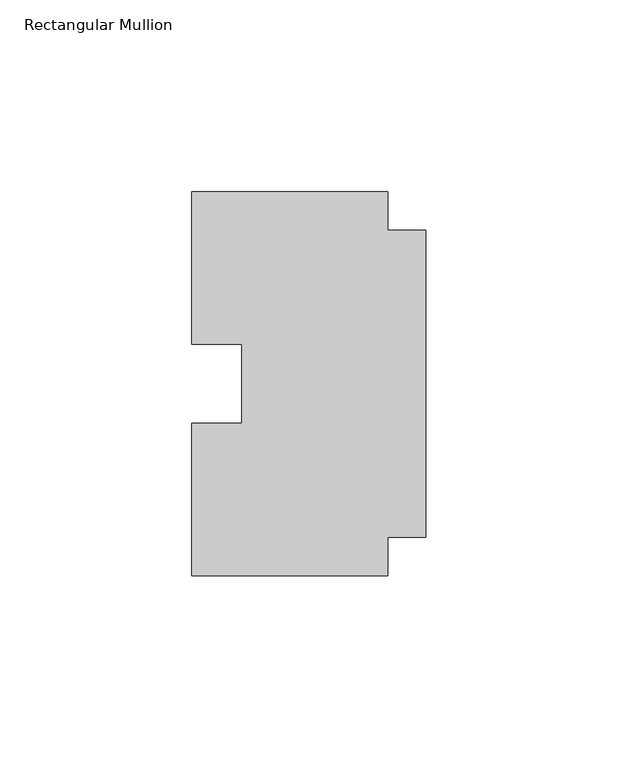
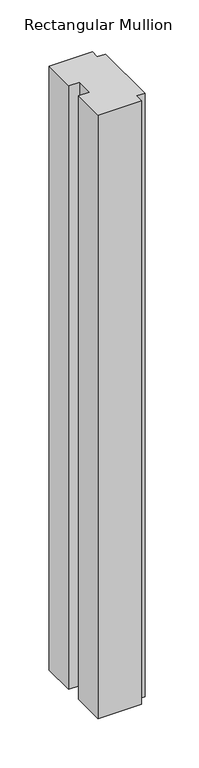
"""IFC4 building model written with IfcOpenShell, lengths in millimetres: member geometry, Rectangular Mullion."""

from ifc_helpers import new_model, si_unit, frame, origin, place, context, project, spatial, polyline, outline, extrude, source, transform, mapped, element, save


def rectangular_mullion_7b2cd558(model_context):
    return source(origin(), model_context, "Body", "SweptSolid", [
        extrude(outline(polyline([(-10.0, -40.0), (-10.0, -50.0), (-61.0, -50.0), (-61.0, -10.25), (-48.0, -10.25), (-48.0, 10.25), (-61.0, 10.25), (-61.0, 50.0), (-10.0, 50.0), (-10.0, 40.0), (0.0, 40.0), (0.0, -40.0), (-10.0, -40.0)])), frame((0.0, 0.0, -749.9999997), z_axis=(0.0, 0.0, 1.0), x_axis=(1.0, 0.0, 0.0)), (0.0, 0.0, 1.0), 749.9999997),
    ])


if __name__ == "__main__":
    model = new_model("IFC4")
    model_context = context("Model", 3, world=origin())
    ifc_project = project(units=[si_unit("LENGTHUNIT", "METRE", prefix="MILLI")], contexts=[model_context])
    site = spatial("IfcSite", under=ifc_project)
    building = spatial("IfcBuilding", under=site)
    placement = place(None, origin())
    rectangular_mullion_shape = rectangular_mullion_7b2cd558(model_context)
    element("IfcMember", 1, ObjectType="Rectangular Mullion", at=placement, inside=building, context=model_context, shape_type="MappedRepresentation", body=[
        mapped(rectangular_mullion_shape, transform((0.0, 0.0, 0.0), x_axis=(1.0, 0.0, 0.0), y_axis=(0.0, 1.0, 0.0), z_axis=(0.0, 0.0, 1.0))),
    ])
    save(model, "model.ifc")
